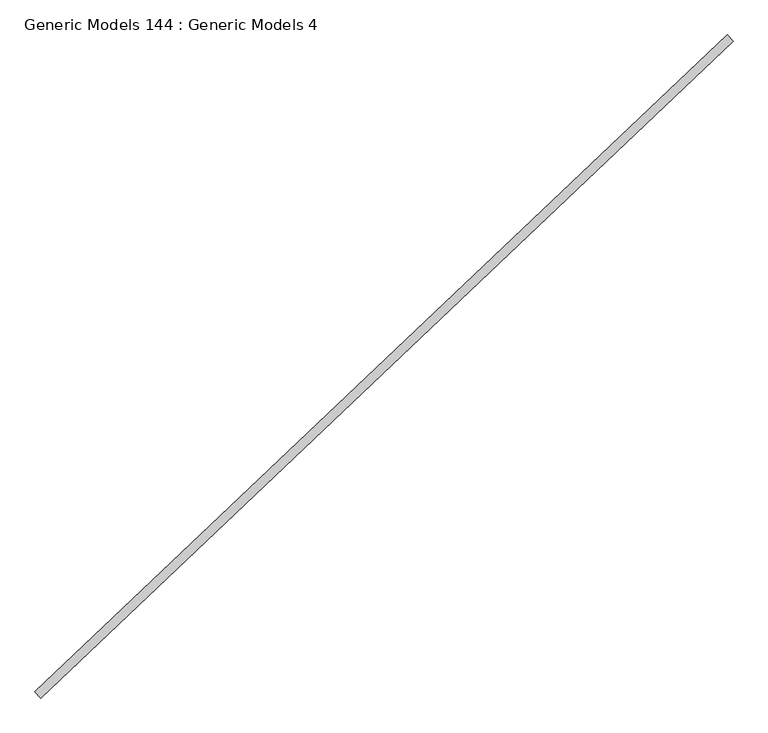
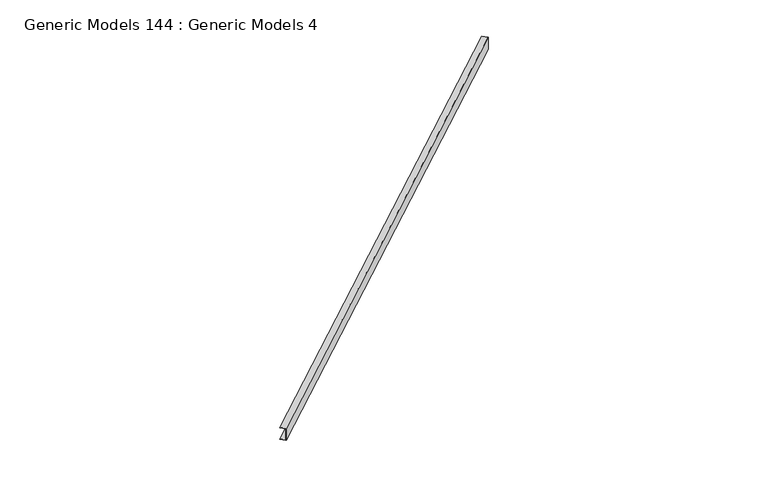
"""IFC4 building model written with IfcOpenShell, lengths in millimetres: proxy geometry, Generic Models 144 : Generic Models 4."""

from ifc_helpers import new_model, si_unit, frame, origin, place, context, project, spatial, polyline, outline, extrude, source, transform, mapped, element, save


def generic_models_144_generic_models_4_bbabac0a(model_context):
    return source(origin(), model_context, "Body", "SweptSolid", [
        extrude(outline(polyline([(0.0, 0.0), (-41.2749999, 0.0), (-41.2749999, 1.5875), (-1.5875, 1.5875), (-1.5875, 90.4875), (-41.2749999, 90.4875), (-41.2749999, 92.075), (0.0, 92.075), (0.0, 0.0)])), frame((108208.2925045, 48399.768781, 18633.1233985), z_axis=(0.7253743710123146, 0.6883545756937256, 0.0), x_axis=(0.6883545756937256, -0.7253743710123146, 0.0)), (0.0, 0.0, 1.0), 4530.725),
    ])


if __name__ == "__main__":
    model = new_model("IFC4")
    model_context = context("Model", 3, world=origin())
    ifc_project = project(units=[si_unit("LENGTHUNIT", "METRE", prefix="MILLI")], contexts=[model_context])
    site = spatial("IfcSite", under=ifc_project)
    building = spatial("IfcBuilding", under=site)
    placement = place(None, origin())
    generic_models_144_generic_models_4_shape = generic_models_144_generic_models_4_bbabac0a(model_context)
    element("IfcBuildingElementProxy", 1, Name="Generic Models 144 : Generic Models 4", ObjectType="Generic Models 144 : Generic Models 4", at=placement, inside=building, context=model_context, shape_type="MappedRepresentation", body=[
        mapped(generic_models_144_generic_models_4_shape, transform((0.0, 0.0, 0.0), x_axis=(1.0, 0.0, 0.0), y_axis=(0.0, 1.0, 0.0), z_axis=(0.0, 0.0, 1.0))),
    ])
    save(model, "model.ifc")
